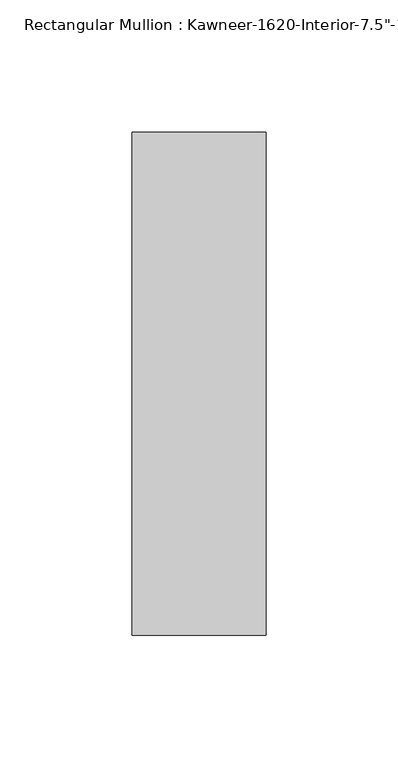
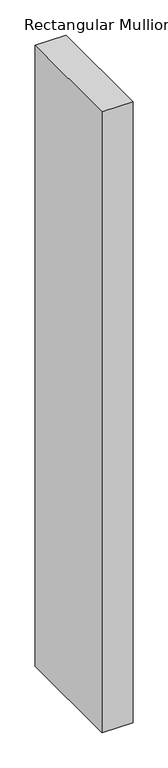
"""IFC4 building model written with IfcOpenShell, lengths in millimetres: member geometry."""

from ifc_helpers import new_model, si_unit, frame, origin, place, context, project, spatial, polyline, outline, extrude, source, transform, mapped, element, save


def member_fa48add0(model_context):
    return source(origin(), model_context, "Body", "SweptSolid", [
        extrude(outline(polyline([(25.4, -161.925), (-25.4, -161.925), (-25.4, 28.575), (25.4, 28.575), (25.4, -161.925)])), frame((0.0, 0.0, -1077.9125), z_axis=(0.0, 0.0, 1.0), x_axis=(1.0, 0.0, 0.0)), (0.0, 0.0, 1.0), 1077.9125),
    ])


if __name__ == "__main__":
    model = new_model("IFC4")
    model_context = context("Model", 3, world=origin())
    ifc_project = project(units=[si_unit("LENGTHUNIT", "METRE", prefix="MILLI")], contexts=[model_context])
    site = spatial("IfcSite", under=ifc_project)
    building = spatial("IfcBuilding", under=site)
    placement = place(None, origin())
    member_shape = member_fa48add0(model_context)
    element("IfcMember", 1, ObjectType="Rectangular Mullion : Kawneer-1620-Interior-7.5\"-1\"_1/4\"Infill", at=placement, inside=building, context=model_context, shape_type="MappedRepresentation", body=[
        mapped(member_shape, transform((0.0, 0.0, 0.0), x_axis=(1.0, 0.0, 0.0), y_axis=(0.0, 1.0, 0.0), z_axis=(0.0, 0.0, 1.0))),
    ])
    save(model, "model.ifc")
